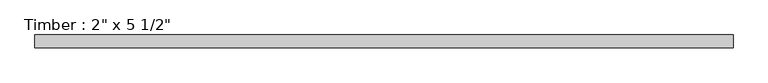
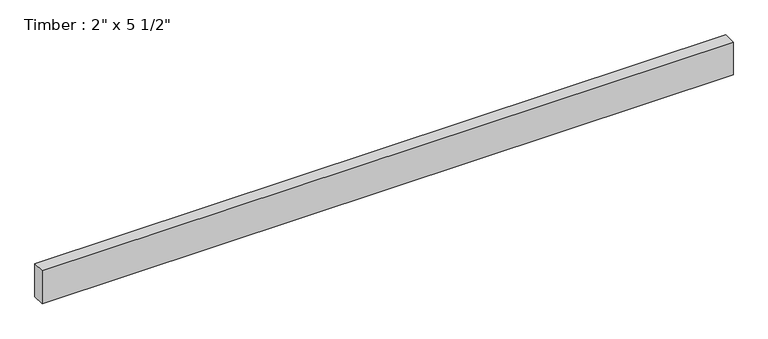
"""IFC4 building model written with IfcOpenShell, lengths in millimetres: beam geometry."""

from ifc_helpers import new_model, si_unit, frame, origin, place, context, project, spatial, polyline, outline, extrude, source, transform, mapped, element, save


def beam_eeef29ac(model_context):
    return source(origin(), model_context, "Body", "SweptSolid", [
        extrude(outline(polyline([(1391.7306139, 25.4), (1391.7306139, -25.4), (-1391.7306133, -25.4), (-1391.7306133, 25.4), (1391.7306139, 25.4)])), frame((0.0, 0.0, -69.85), z_axis=(0.0, 0.0, 1.0), x_axis=(1.0, 0.0, 0.0)), (0.0, 0.0, 1.0), 139.7),
    ])


if __name__ == "__main__":
    model = new_model("IFC4")
    model_context = context("Model", 3, world=origin())
    ifc_project = project(units=[si_unit("LENGTHUNIT", "METRE", prefix="MILLI")], contexts=[model_context])
    site = spatial("IfcSite", under=ifc_project)
    building = spatial("IfcBuilding", under=site)
    placement = place(None, origin())
    beam_shape = beam_eeef29ac(model_context)
    element("IfcBeam", 1, ObjectType="Timber : 2\" x 5 1/2\"", at=placement, inside=building, context=model_context, shape_type="MappedRepresentation", body=[
        mapped(beam_shape, transform((0.0, 0.0, 0.0), x_axis=(1.0, 0.0, 0.0), y_axis=(0.0, 1.0, 0.0), z_axis=(0.0, 0.0, 1.0))),
    ])
    save(model, "model.ifc")
